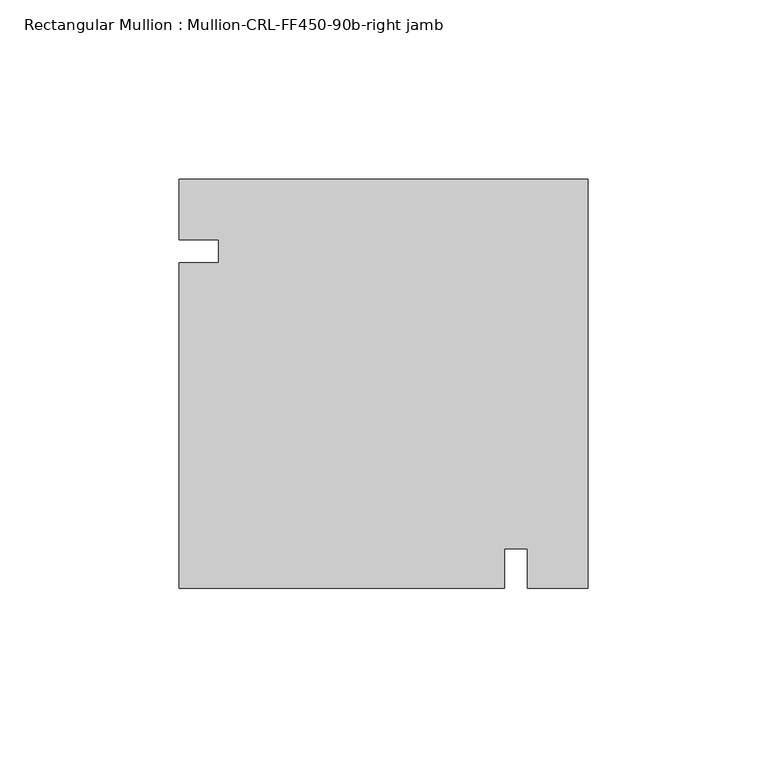
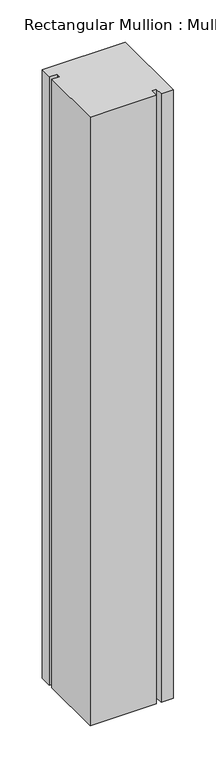
"""IFC4 building model written with IfcOpenShell, lengths in millimetres: member geometry, Rectangular Mullion : Mullion-CRL-FF450-90b-right jamb."""

from ifc_helpers import new_model, si_unit, frame, origin, place, context, project, spatial, polyline, outline, extrude, source, transform, mapped, element, save


def rectangular_mullion_mullion_crl_ff450_90b_right_jamb_b4c60db0(model_context):
    return source(origin(), model_context, "Body", "SweptSolid", [
        extrude(outline(polyline([(0.0, 20.160815), (0.0, -94.139185), (-16.9545, -94.139185), (-16.9545, -83.0266953), (-23.3045, -83.0266953), (-23.3045, -94.139185), (-114.3, -94.139185), (-114.3, -3.1555912), (-103.1875103, -3.1555912), (-103.1875103, 3.1944088), (-114.3, 3.1944088), (-114.3, 20.160815), (0.0, 20.160815)])), frame((0.0, 0.0, -882.65), z_axis=(0.0, 0.0, 1.0), x_axis=(1.0, 0.0, 0.0)), (0.0, 0.0, 1.0), 882.65),
    ])


if __name__ == "__main__":
    model = new_model("IFC4")
    model_context = context("Model", 3, world=origin())
    ifc_project = project(units=[si_unit("LENGTHUNIT", "METRE", prefix="MILLI")], contexts=[model_context])
    site = spatial("IfcSite", under=ifc_project)
    building = spatial("IfcBuilding", under=site)
    placement = place(None, origin())
    rectangular_mullion_mullion_crl_ff450_90b_right_jamb_shape = rectangular_mullion_mullion_crl_ff450_90b_right_jamb_b4c60db0(model_context)
    element("IfcMember", 1, ObjectType="Rectangular Mullion : Mullion-CRL-FF450-90b-right jamb", at=placement, inside=building, context=model_context, shape_type="MappedRepresentation", body=[
        mapped(rectangular_mullion_mullion_crl_ff450_90b_right_jamb_shape, transform((0.0, 0.0, 0.0), x_axis=(1.0, 0.0, 0.0), y_axis=(0.0, 1.0, 0.0), z_axis=(0.0, 0.0, 1.0))),
    ])
    save(model, "model.ifc")
